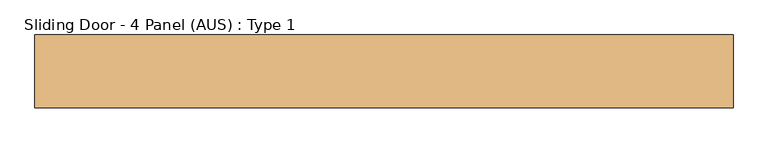
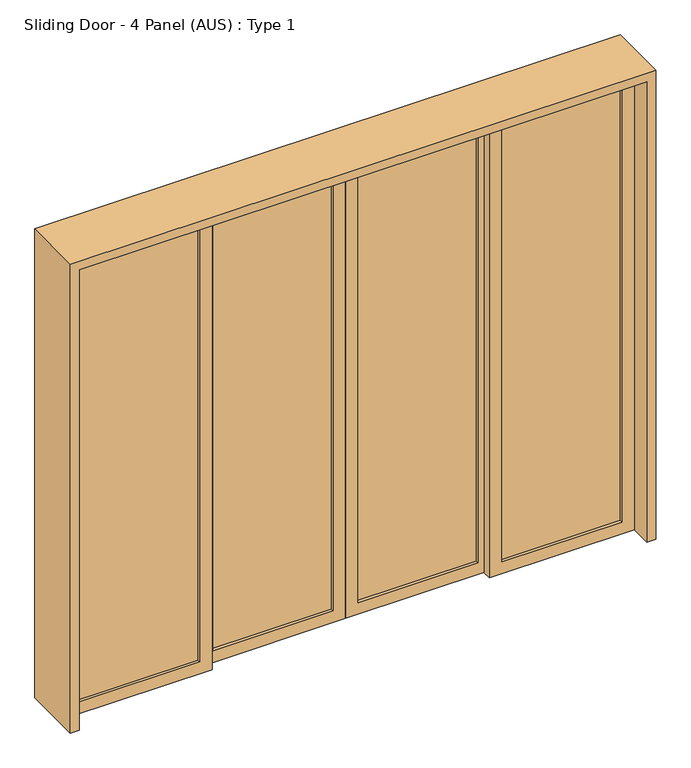
"""IFC4 building model written with IfcOpenShell, lengths in millimetres: door geometry, Sliding Door - 4 Panel (AUS) : Type 1."""

from ifc_helpers import new_model, si_unit, frame, origin, place, context, project, spatial, polyline, outline, extrude, source, transform, mapped, element, save


def sliding_door_4_panel_aus_type_1_4f9d3724(model_context):
    return source(origin(), model_context, "Body", "SweptSolid", [
        extrude(outline(polyline([(1280.7580012, -13.3333333), (1280.7580012, -26.6666667), (752.0080012, -26.6666667), (752.0080012, -13.3333333), (1280.7580012, -13.3333333)])), frame((0.0, 0.0, 55.0), z_axis=(0.0, 0.0, 1.0), x_axis=(1.0, 0.0, 0.0)), (0.0, 0.0, 1.0), 2033.0),
        extrude(outline(polyline([(0.0, 1335.7580012), (2143.0, 1335.7580012), (2143.0, 697.0080012), (0.0, 697.0080012), (0.0, 1335.7580012)]), holes=[polyline([(55.0, 1280.7580012), (55.0, 752.0080012), (2088.0, 752.0080012), (2088.0, 1280.7580012), (55.0, 1280.7580012)])]), frame((0.0, -40.0, 0.0), z_axis=(0.0, 1.0, 0.0), x_axis=(0.0, 0.0, 1.0)), (0.0, 0.0, 1.0), 40.0),
        extrude(outline(polyline([(669.5080012, 26.6666667), (669.5080012, 13.3333333), (140.7580012, 13.3333333), (140.7580012, 26.6666667), (669.5080012, 26.6666667)])), frame((0.0, 0.0, 55.0), z_axis=(0.0, 0.0, 1.0), x_axis=(1.0, 0.0, 0.0)), (0.0, 0.0, 1.0), 2033.0),
        extrude(outline(polyline([(0.0, 724.5080012), (2143.0, 724.5080012), (2143.0, 85.7580012), (0.0, 85.7580012), (0.0, 724.5080012)]), holes=[polyline([(55.0, 669.5080012), (55.0, 140.7580012), (2088.0, 140.7580012), (2088.0, 669.5080012), (55.0, 669.5080012)])]), frame((0.0, 0.0, 0.0), z_axis=(0.0, 1.0, 0.0), x_axis=(0.0, 0.0, 1.0)), (0.0, 0.0, 1.0), 40.0),
        extrude(outline(polyline([(30.7580012, 26.6666667), (30.7580012, 13.3333333), (-497.9919988, 13.3333333), (-497.9919988, 26.6666667), (30.7580012, 26.6666667)])), frame((0.0, 0.0, 55.0), z_axis=(0.0, 0.0, 1.0), x_axis=(1.0, 0.0, 0.0)), (0.0, 0.0, 1.0), 2033.0),
        extrude(outline(polyline([(0.0, 85.7580012), (2143.0, 85.7580012), (2143.0, -552.9919988), (0.0, -552.9919988), (0.0, 85.7580012)]), holes=[polyline([(55.0, 30.7580012), (55.0, -497.9919988), (2088.0, -497.9919988), (2088.0, 30.7580012), (55.0, 30.7580012)])]), frame((0.0, 0.0, 0.0), z_axis=(0.0, 1.0, 0.0), x_axis=(0.0, 0.0, 1.0)), (0.0, 0.0, 1.0), 40.0),
        extrude(outline(polyline([(-580.4919988, -13.3333333), (-580.4919988, -26.6666667), (-1109.2419988, -26.6666667), (-1109.2419988, -13.3333333), (-580.4919988, -13.3333333)])), frame((0.0, 0.0, 55.0), z_axis=(0.0, 0.0, 1.0), x_axis=(1.0, 0.0, 0.0)), (0.0, 0.0, 1.0), 2033.0),
        extrude(outline(polyline([(0.0, -525.4919988), (2143.0, -525.4919988), (2143.0, -1164.2419988), (0.0, -1164.2419988), (0.0, -525.4919988)]), holes=[polyline([(55.0, -580.4919988), (55.0, -1109.2419988), (2088.0, -1109.2419988), (2088.0, -580.4919988), (55.0, -580.4919988)])]), frame((0.0, -40.0, 0.0), z_axis=(0.0, 1.0, 0.0), x_axis=(0.0, 0.0, 1.0)), (0.0, 0.0, 1.0), 40.0),
        extrude(outline(polyline([(0.0, -1204.2419988), (0.0, -1164.2419988), (2143.0, -1164.2419988), (2143.0, 1335.7580012), (0.0, 1335.7580012), (0.0, 1375.7580012), (2183.0, 1375.7580012), (2183.0, -1204.2419988), (0.0, -1204.2419988)])), frame((0.0, -135.0, 0.0), z_axis=(0.0, 1.0, 0.0), x_axis=(0.0, 0.0, 1.0)), (0.0, 0.0, 1.0), 270.0),
    ])


if __name__ == "__main__":
    model = new_model("IFC4")
    model_context = context("Model", 3, world=origin())
    ifc_project = project(units=[si_unit("LENGTHUNIT", "METRE", prefix="MILLI")], contexts=[model_context])
    site = spatial("IfcSite", under=ifc_project)
    building = spatial("IfcBuilding", under=site)
    placement = place(None, origin())
    sliding_door_4_panel_aus_type_1_shape = sliding_door_4_panel_aus_type_1_4f9d3724(model_context)
    element("IfcDoor", 1, ObjectType="Sliding Door - 4 Panel (AUS) : Type 1", at=placement, inside=building, context=model_context, shape_type="MappedRepresentation", body=[
        mapped(sliding_door_4_panel_aus_type_1_shape, transform((0.0, 0.0, 0.0), x_axis=(1.0, 0.0, 0.0), y_axis=(0.0, 1.0, 0.0), z_axis=(0.0, 0.0, 1.0))),
    ])
    save(model, "model.ifc")
